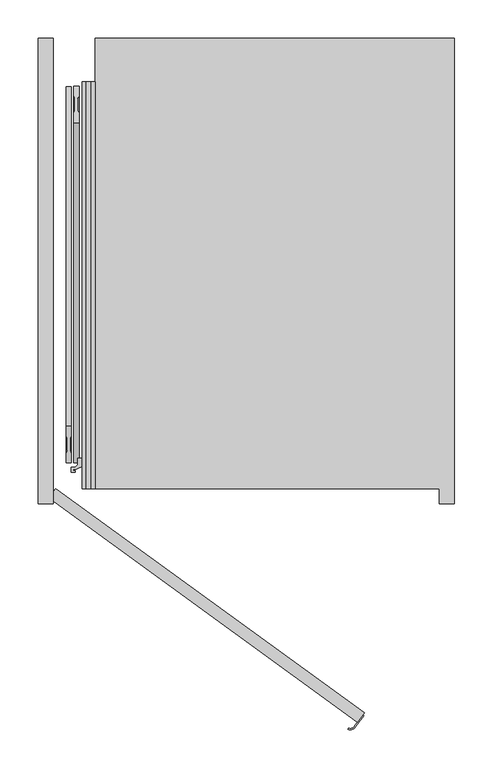
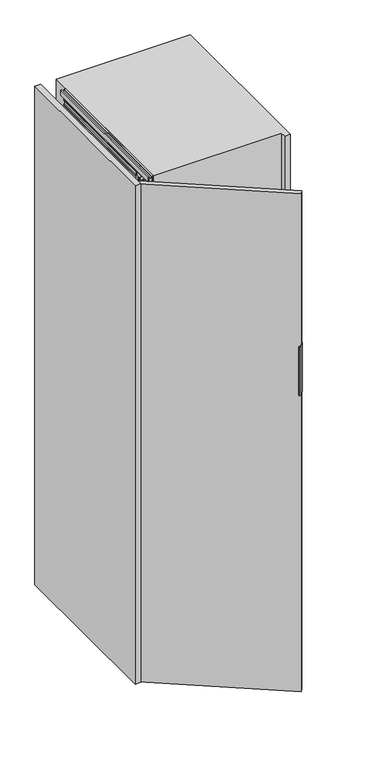
"""IFC4 building model written with IfcOpenShell, lengths in millimetres: furniture geometry."""

from ifc_helpers import new_model, si_unit, point, frame, frame_2d, origin, origin_with_axes, place, context, project, spatial, polyline, circle_curve, trimmed, segment, composite_curve, outline, extrude, faceted_brep, source, transform, mapped, element, save


def furniture_e9658004(model_context):
    return source(origin(), model_context, "Body", "SolidModel", [
        extrude(outline(composite_curve([segment(polyline([(350.7451414, -296.3196771), (351.9586669, -297.201355), (341.0735707, -312.1834047)]), True, "CONTINUOUS"), segment(trimmed(circle_curve(frame_2d((334.2088338, -307.1958814)), 8.4852814), [point((341.0735707, -312.1834047))], [point((331.167981, -315.117574))], False, "CARTESIAN"), True, "CONTINUOUS"), segment(polyline([(331.167981, -315.117574), (331.7055329, -313.7172034)]), True, "CONTINUOUS"), segment(trimmed(circle_curve(frame_2d((334.2088338, -307.1958814)), 6.9852814), [point((331.7055329, -313.7172034))], [point((339.8600452, -311.3017268))], True, "CARTESIAN"), True, "CONTINUOUS"), segment(polyline([(339.8600452, -311.3017268), (350.7451414, -296.3196771)]), True, "CONTINUOUS")], self_intersect=False)), frame((0.0, 0.0, 1110.0), z_axis=(0.0, 0.0, 1.0), x_axis=(1.0, 0.0, 0.0)), (0.0, 0.0, 1.0), 180.0),
        extrude(outline(polyline([(-60.8167788, -12.1352549), (-52.0, 0.0), (352.5084972, -293.8926261), (343.6917184, -306.0278811), (-60.8167788, -12.1352549)])), origin_with_axes(), (0.0, 0.0, 1.0), 1851.0),
        extrude(outline(polyline([(17.0, -17.0), (-2.0, -17.0), (-2.0, -12.75), (0.25, -12.75), (0.25, -15.0), (2.9, -15.0), (2.9, -3.0), (0.25, -3.0), (0.25, -5.25), (-2.0, -5.25), (-2.0, 0.0), (56.5663764, 0.0), (57.0913089, -6.0), (54.1547673, -6.0), (54.1547673, -2.5), (38.5, -2.5), (38.5, -6.0), (35.5, -6.0), (35.5, -3.0104888), (5.5, -3.0104888), (5.5, -15.0), (17.0, -15.0), (17.0, -17.0)])), frame((0.0, 0.0, 0.0), z_axis=(0.0, 1.0, 0.0), x_axis=(0.0, 0.0, 1.0)), (0.0, 0.0, 1.0), 533.0),
        extrude(outline(polyline([(1834.0, -15.0), (1845.5, -15.0), (1845.5, -3.0104888), (1815.5, -3.0104888), (1815.5, -6.0), (1812.5, -6.0), (1812.5, -2.5), (1796.8452327, -2.5), (1796.8452327, -6.0), (1793.9086911, -6.0), (1794.4336236, 0.0), (1853.0, 0.0), (1853.0, -5.25), (1850.75, -5.25), (1850.75, -3.0), (1848.1, -3.0), (1848.1, -15.0), (1850.75, -15.0), (1850.75, -12.75), (1853.0, -12.75), (1853.0, -17.0), (1834.0, -17.0), (1834.0, -15.0)])), frame((0.0, 0.0, 0.0), z_axis=(0.0, 1.0, 0.0), x_axis=(0.0, 0.0, 1.0)), (0.0, 0.0, 1.0), 533.0),
        faceted_brep([(-15.8313044, 44.5, 33.9), (-15.8313044, 68.7, 33.9), (-15.8313044, 68.7, 21.9), (-15.8313044, 44.5, 21.9), (-13.8052444, 68.7, 33.9), (-13.8052444, 44.5, 33.9), (-13.8052444, 44.5, 21.9), (-13.8052444, 68.7, 21.9), (-14.2052444, 68.7, 21.9), (-14.2052444, 68.7, 19.301924), (-14.2052444, 44.5, 19.301924), (-14.2052444, 44.5, 21.9), (-10.2052444, 81.5, 21.9), (-14.2052444, 77.5, 21.9), (-14.2052444, 35.5, 21.9), (-10.2052444, 31.5, 21.9), (-7.8052444, 31.5, 21.9), (-3.8052444, 35.5, 21.9), (-3.8052444, 77.5193461, 21.9), (-7.7858983, 81.5, 21.9), (-3.8052444, 70.0, 9.0920874), (-3.8052444, 42.8540496, 9.0920874), (-14.2052444, 42.8540496, 9.0920874), (-14.2052444, 70.0, 9.0920874), (-10.2052444, 81.5, 14.45), (-14.2052444, 77.5, 14.45), (-14.2052444, 42.8540496, 14.45), (-14.2052444, 35.5, 14.45), (-14.2052444, 70.0, 14.45), (-14.2052444, 64.0, 15.2), (-14.2052444, 49.0, 15.2), (-14.2052444, 49.0, 11.4378021), (-14.2052444, 64.0, 11.4378021), (-10.2052444, 31.5, 14.45), (-7.8052444, 31.5, 14.45), (-3.8052444, 35.5, 14.45), (-3.8052444, 42.8540496, 14.45), (-3.8052444, 70.0, 14.45), (-3.8052444, 77.5193461, 14.45), (-3.8052444, 49.0, 15.2), (-3.8052444, 64.0, 15.2), (-3.8052444, 64.0, 11.4378021), (-3.8052444, 49.0, 11.4378021), (-7.7858983, 81.5, 14.45)], [[[0, 1, 2, 3]], [[4, 5, 6, 7]], [[1, 0, 5, 4]], [[1, 4, 7, 8, 9, 2]], [[5, 0, 3, 10, 11, 6]], [[3, 2, 9, 10]], [[12, 13, 8, 7, 6, 11, 14, 15, 16, 17, 18, 19]], [[20, 21, 22, 23]], [[13, 12, 24, 25]], [[23, 22, 26, 27, 14, 11, 10, 9, 8, 13, 25, 28], [29, 30, 31, 32]], [[15, 14, 27, 33]], [[16, 15, 33, 34]], [[17, 16, 34, 35]], [[18, 17, 35, 36, 21, 20, 37, 38], [39, 40, 41, 42]], [[19, 18, 38, 43]], [[12, 19, 43, 24]], [[37, 28, 25, 24, 43, 38]], [[28, 37, 20, 23]], [[29, 40, 39, 30]], [[40, 29, 32, 41]], [[30, 39, 42, 31]], [[26, 36, 35, 34, 33, 27]], [[36, 26, 22, 21]], [[41, 32, 31, 42]]]),
        extrude(outline(composite_curve([segment(trimmed(circle_curve(frame_2d((-9.0052444, 37.1770248)), 5.75), [point((-9.0052444, 42.9270248))], [point((-9.0052444, 31.4270248))], False, "CARTESIAN"), True, "CONTINUOUS"), segment(trimmed(circle_curve(frame_2d((-9.0052444, 37.1770248)), 5.75), [point((-9.0052444, 31.4270248))], [point((-9.0052444, 42.9270248))], False, "CARTESIAN"), True, "CONTINUOUS")], self_intersect=False)), frame((0.0, 0.0, 6.65), z_axis=(0.0, 0.0, 1.0), x_axis=(1.0, 0.0, 0.0)), (0.0, 0.0, 1.0), 7.3),
        extrude(outline(composite_curve([segment(trimmed(circle_curve(frame_2d((-9.0052444, 56.5)), 5.75), [point((-9.0052444, 62.25))], [point((-9.0052444, 50.75))], False, "CARTESIAN"), True, "CONTINUOUS"), segment(trimmed(circle_curve(frame_2d((-9.0052444, 56.5)), 5.75), [point((-9.0052444, 50.75))], [point((-9.0052444, 62.25))], False, "CARTESIAN"), True, "CONTINUOUS")], self_intersect=False)), frame((0.0, 0.0, 11.4378021), z_axis=(0.0, 0.0, 1.0), x_axis=(1.0, 0.0, 0.0)), (0.0, 0.0, 1.0), 3.7621979),
        extrude(outline(composite_curve([segment(trimmed(circle_curve(frame_2d((-9.0052444, 75.75)), 5.75), [point((-9.0052444, 81.5))], [point((-9.0052444, 70.0))], False, "CARTESIAN"), True, "CONTINUOUS"), segment(trimmed(circle_curve(frame_2d((-9.0052444, 75.75)), 5.75), [point((-9.0052444, 70.0))], [point((-9.0052444, 81.5))], False, "CARTESIAN"), True, "CONTINUOUS")], self_intersect=False)), frame((0.0, 0.0, 6.65), z_axis=(0.0, 0.0, 1.0), x_axis=(1.0, 0.0, 0.0)), (0.0, 0.0, 1.0), 7.3),
        faceted_brep([(-15.8313044, 68.5, 1817.1), (-15.8313044, 44.3, 1817.1), (-15.8313044, 44.3, 1829.1), (-15.8313044, 68.5, 1829.1), (-13.8052444, 44.3, 1817.1), (-13.8052444, 68.5, 1817.1), (-13.8052444, 68.5, 1829.1), (-13.8052444, 44.3, 1829.1), (-14.2052444, 44.3, 1829.1), (-14.2052444, 44.3, 1831.698076), (-14.2052444, 68.5, 1831.698076), (-14.2052444, 68.5, 1829.1), (-10.2052444, 31.5, 1829.1), (-14.2052444, 35.5, 1829.1), (-14.2052444, 77.5, 1829.1), (-10.2052444, 81.5, 1829.1), (-7.8052444, 81.5, 1829.1), (-3.8052444, 77.5, 1829.1), (-3.8052444, 35.4806539, 1829.1), (-7.7858983, 31.5, 1829.1), (-3.8052444, 43.0, 1841.9079126), (-3.8052444, 70.1459504, 1841.9079126), (-14.2052444, 70.1459504, 1841.9079126), (-14.2052444, 43.0, 1841.9079126), (-10.2052444, 31.5, 1836.55), (-14.2052444, 35.5, 1836.55), (-14.2052444, 70.1459504, 1836.55), (-14.2052444, 77.5, 1836.55), (-14.2052444, 43.0, 1836.55), (-14.2052444, 49.0, 1835.8), (-14.2052444, 64.0, 1835.8), (-14.2052444, 64.0, 1839.5621979), (-14.2052444, 49.0, 1839.5621979), (-10.2052444, 81.5, 1836.55), (-7.8052444, 81.5, 1836.55), (-3.8052444, 77.5, 1836.55), (-3.8052444, 70.1459504, 1836.55), (-3.8052444, 43.0, 1836.55), (-3.8052444, 35.4806539, 1836.55), (-3.8052444, 64.0, 1835.8), (-3.8052444, 49.0, 1835.8), (-3.8052444, 49.0, 1839.5621979), (-3.8052444, 64.0, 1839.5621979), (-7.7858983, 31.5, 1836.55)], [[[0, 1, 2, 3]], [[4, 5, 6, 7]], [[1, 0, 5, 4]], [[1, 4, 7, 8, 9, 2]], [[5, 0, 3, 10, 11, 6]], [[3, 2, 9, 10]], [[12, 13, 8, 7, 6, 11, 14, 15, 16, 17, 18, 19]], [[20, 21, 22, 23]], [[13, 12, 24, 25]], [[23, 22, 26, 27, 14, 11, 10, 9, 8, 13, 25, 28], [29, 30, 31, 32]], [[15, 14, 27, 33]], [[16, 15, 33, 34]], [[17, 16, 34, 35]], [[18, 17, 35, 36, 21, 20, 37, 38], [39, 40, 41, 42]], [[19, 18, 38, 43]], [[12, 19, 43, 24]], [[37, 28, 25, 24, 43, 38]], [[28, 37, 20, 23]], [[29, 40, 39, 30]], [[40, 29, 32, 41]], [[30, 39, 42, 31]], [[26, 36, 35, 34, 33, 27]], [[36, 26, 22, 21]], [[41, 32, 31, 42]]]),
        extrude(outline(composite_curve([segment(trimmed(circle_curve(frame_2d((-9.0052444, 75.8229752)), 5.75), [point((-9.0052444, 70.0729752))], [point((-9.0052444, 81.5729752))], False, "CARTESIAN"), True, "CONTINUOUS"), segment(trimmed(circle_curve(frame_2d((-9.0052444, 75.8229752)), 5.75), [point((-9.0052444, 81.5729752))], [point((-9.0052444, 70.0729752))], False, "CARTESIAN"), True, "CONTINUOUS")], self_intersect=False)), frame((0.0, 0.0, 1837.05), z_axis=(0.0, 0.0, 1.0), x_axis=(1.0, 0.0, 0.0)), (0.0, 0.0, 1.0), 7.3),
        extrude(outline(composite_curve([segment(trimmed(circle_curve(frame_2d((-9.0052444, 56.5)), 5.75), [point((-9.0052444, 50.75))], [point((-9.0052444, 62.25))], False, "CARTESIAN"), True, "CONTINUOUS"), segment(trimmed(circle_curve(frame_2d((-9.0052444, 56.5)), 5.75), [point((-9.0052444, 62.25))], [point((-9.0052444, 50.75))], False, "CARTESIAN"), True, "CONTINUOUS")], self_intersect=False)), frame((0.0, 0.0, 1835.8), z_axis=(0.0, 0.0, 1.0), x_axis=(1.0, 0.0, 0.0)), (0.0, 0.0, 1.0), 3.7621979),
        extrude(outline(composite_curve([segment(trimmed(circle_curve(frame_2d((-9.0052444, 37.25)), 5.75), [point((-9.0052444, 31.5))], [point((-9.0052444, 43.0))], False, "CARTESIAN"), True, "CONTINUOUS"), segment(trimmed(circle_curve(frame_2d((-9.0052444, 37.25)), 5.75), [point((-9.0052444, 43.0))], [point((-9.0052444, 31.5))], False, "CARTESIAN"), True, "CONTINUOUS")], self_intersect=False)), frame((0.0, 0.0, 1837.05), z_axis=(0.0, 0.0, 1.0), x_axis=(1.0, 0.0, 0.0)), (0.0, 0.0, 1.0), 7.3),
        extrude(outline(polyline([(-8.4980052, 11.2885509), (-8.4980052, 24.9437822), (-1.5019948, 24.9437822), (-1.5019948, 11.2885509), (-2.9019839, 8.7447792), (-2.9019839, -8.7447792), (-1.5019948, -11.2885509), (-1.5019948, -24.9437822), (-8.4980052, -24.9437822), (-8.4980052, -11.2885509), (-7.0980161, -8.7447792), (-7.0980161, 8.7447792), (-8.4980052, 11.2885509)])), frame((-30.0, 503.0, 263.0), z_axis=(0.0, -0.2968216785838769, 0.9549329249338142), x_axis=(1.0, 0.0, 0.0)), (0.0, 0.0, 1.0), 1500.0),
        extrude(outline(polyline([(1.5019948, -11.2885509), (2.9019839, -8.7447792), (2.9019839, 8.7447792), (1.5019948, 11.2885509), (1.5019948, 24.9437823), (8.4980052, 24.9437823), (8.4980052, 11.2885509), (7.0980161, 8.7447792), (7.0980161, -8.7447792), (8.4980052, -11.2885509), (8.4980052, -24.9437822), (1.5019948, -24.9437822), (1.5019948, -11.2885509)])), frame((-30.0, 57.7674821, 330.6006126), z_axis=(0.0, 0.29682167858387626, 0.9549329249338144), x_axis=(1.0, 0.0, 0.0)), (0.0, 0.0, 1.0), 1500.0),
        extrude(outline(polyline([(-14.6, 76.0), (-6.85, 76.0), (-6.85, 38.0), (-8.85, 36.0), (-11.1, 36.0), (-12.6, 34.5), (-12.6, 28.5720943), (-9.1, 30.5928201), (-9.1, 25.0), (-10.1, 25.0), (-11.1, 26.0), (-14.7999998, 26.0), (-15.99707, 29.2889243), (-21.16538, 27.407813), (-25.2566983, 25.5), (-29.1, 25.5), (-29.1, 23.2), (-26.3, 23.2), (-26.3, 21.5), (-31.6, 21.5), (-31.6, 28.0), (-26.35, 28.0), (-23.35, 31.0), (-23.35, 39.5), (-14.6, 39.5), (-14.6, 44.3), (-12.2, 44.3), (-12.2, 40.8), (-9.6, 40.8), (-9.6, 48.5), (-10.6, 49.5), (-10.6, 63.5), (-9.6, 64.5), (-9.6, 72.2), (-12.2, 72.2), (-12.2, 68.7), (-14.6, 68.7), (-14.6, 76.0)])), frame((0.0, 0.0, 21.9), z_axis=(0.0, 0.0, 1.0), x_axis=(1.0, 0.0, 0.0)), (0.0, 0.0, 1.0), 1807.2),
        extrude(outline(polyline([(-75.0, 590.0), (-55.0, 590.0), (-55.0, -20.0), (-75.0, -20.0), (-75.0, 590.0)])), origin_with_axes(), (0.0, 0.0, 1.0), 1853.0),
        extrude(outline(polyline([(451.0, 0.0), (0.0, 0.0), (0.0, 590.0), (471.0, 590.0), (471.0, -20.0), (451.0, -20.0), (451.0, 0.0)])), frame((0.0, 0.0, -2.0), z_axis=(0.0, 0.0, 1.0), x_axis=(1.0, 0.0, 0.0)), (0.0, 0.0, 1.0), 1855.0),
    ])


if __name__ == "__main__":
    model = new_model("IFC4")
    model_context = context("Model", 3, world=origin())
    ifc_project = project(units=[si_unit("LENGTHUNIT", "METRE", prefix="MILLI")], contexts=[model_context])
    site = spatial("IfcSite", under=ifc_project)
    building = spatial("IfcBuilding", under=site)
    placement = place(None, origin())
    furniture_shape = furniture_e9658004(model_context)
    element("IfcFurniture", 1, at=placement, inside=building, context=model_context, shape_type="MappedRepresentation", body=[
        mapped(furniture_shape, transform((0.0, 0.0, 0.0), x_axis=(1.0, 0.0, 0.0), y_axis=(0.0, 1.0, 0.0), z_axis=(0.0, 0.0, 1.0))),
    ])
    save(model, "model.ifc")
